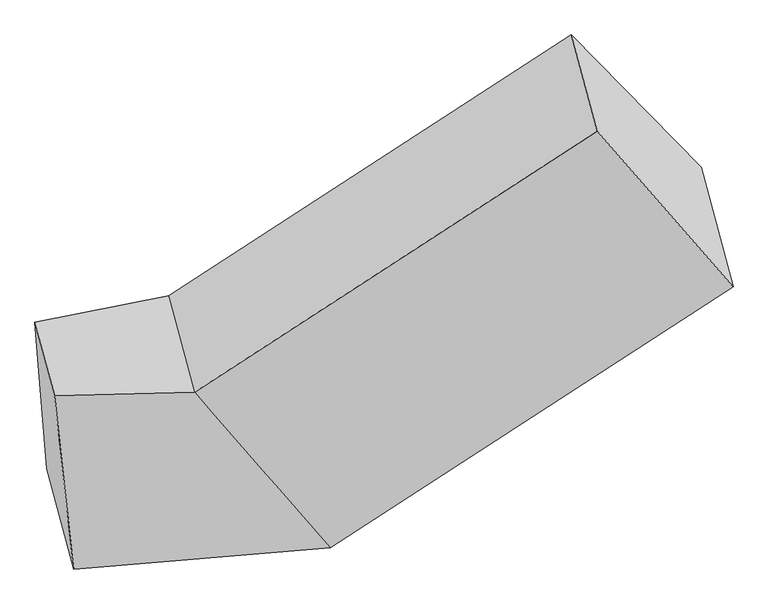
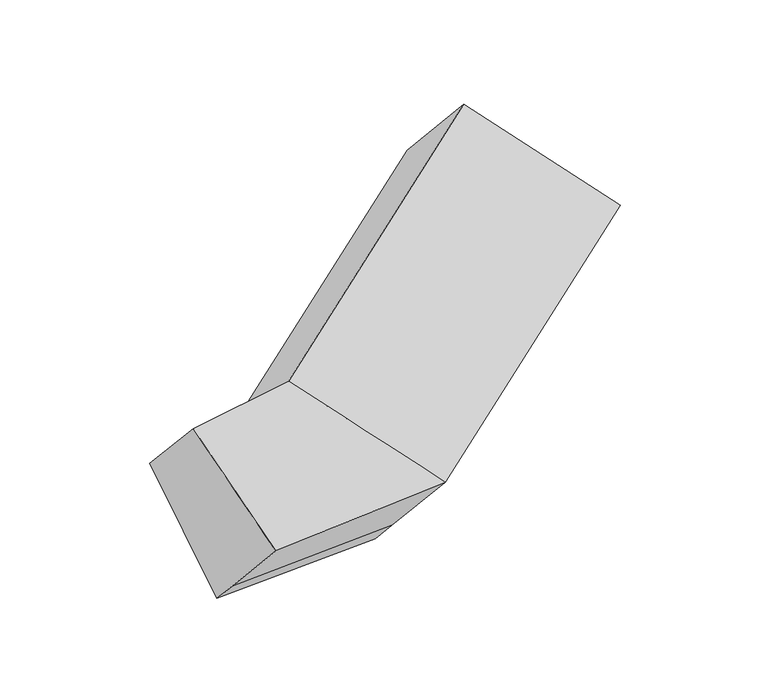
"""IFC4 building model written with IfcOpenShell, lengths in millimetres: proxy geometry."""

import ifcopenshell
import ifcopenshell.guid

model = None  # the IFC model being written
_history = None  # IfcOwnerHistory: only IFC2X3 demands one
_inside = {}  # id of a spatial element -> (the spatial element, [elements in it])
_under = {}  # id of a project, library or spatial element -> (it, [spatial elements below it])
_declared = {}  # id of a project -> (the project, [libraries it declares])
_typed = {}  # id of a type object -> (the type object, [elements of that type])
_made_of = {}  # id of a material, layer set ... -> (it, [elements and type objects made of it])


def new_model(schema):
    """Start an empty IFC model of exactly this schema.

    Asked for "IFC4X3", IfcOpenShell would pick the latest addendum, in which some entities
    have other attributes; the version numbers below select the first issue.
    IFC2X3 requires an IfcOwnerHistory on every rooted entity: one is made here for all.
    """
    global model, _history
    if schema == "IFC4X3":
        model = ifcopenshell.file(schema_version=(4, 3, 0, 0))
    else:
        model = ifcopenshell.file(schema=schema)
    _inside.clear()
    _under.clear()
    _declared.clear()
    _typed.clear()
    _made_of.clear()
    _history = None
    if model.schema == "IFC2X3":
        org = make("IfcOrganization", Name="unknown")
        user = make(
            "IfcPersonAndOrganization",
            ThePerson=make("IfcPerson", FamilyName="unknown"),
            TheOrganization=org,
        )
        app = make(
            "IfcApplication",
            ApplicationDeveloper=org,
            Version="unknown",
            ApplicationFullName="unknown",
            ApplicationIdentifier="unknown",
        )
        _history = make(
            "IfcOwnerHistory",
            OwningUser=user,
            OwningApplication=app,
            ChangeAction="ADDED",
            CreationDate=0,
        )
    return model


def make(cls, **values):
    """One entity of the class cls with the attributes given. An attribute that is None is left unset."""
    return model.create_entity(
        cls, **{name: value for name, value in values.items() if value is not None}
    )


def rooted(cls, **values):
    """An entity with a GlobalId (a new one), such as an element, a storey or a relation."""
    return make(cls, GlobalId=ifcopenshell.guid.new(), OwnerHistory=_history, **values)


def si_unit(unit_type, name, prefix=None):
    """IfcSIUnit, for example si_unit("LENGTHUNIT", "METRE", prefix="MILLI")."""
    return make("IfcSIUnit", UnitType=unit_type, Prefix=prefix, Name=name)


def assignment(units):
    """IfcUnitAssignment: the units of a project."""
    return None if units is None else make("IfcUnitAssignment", Units=units)


def point(xyz):
    """IfcCartesianPoint."""
    return None if xyz is None else make("IfcCartesianPoint", Coordinates=xyz)


def direction(xyz):
    """IfcDirection."""
    return None if xyz is None else make("IfcDirection", DirectionRatios=xyz)


def frame(location, z_axis=None, x_axis=None):
    """IfcAxis2Placement3D, a coordinate frame: its origin and axes. An axis left out is left unset."""
    return make(
        "IfcAxis2Placement3D",
        Location=point(location),
        Axis=direction(z_axis),
        RefDirection=direction(x_axis),
    )


def origin():
    """The frame at (0, 0, 0) with its axes left unset."""
    return frame((0.0, 0.0, 0.0))


def place(relative_to, where):
    """IfcLocalPlacement: puts the frame where relative to a parent placement (None: the world)."""
    return make(
        "IfcLocalPlacement", PlacementRelTo=relative_to, RelativePlacement=where
    )


def context(
    kind, dimensions, precision=None, world=None, true_north=None, identifier=None
):
    """IfcGeometricRepresentationContext, for example the 3D "Model" context."""
    return make(
        "IfcGeometricRepresentationContext",
        ContextIdentifier=identifier,
        ContextType=kind,
        CoordinateSpaceDimension=dimensions,
        Precision=precision,
        WorldCoordinateSystem=world,
        TrueNorth=true_north,
    )


def project(units=None, contexts=None):
    """IfcProject with its units and contexts."""
    return rooted(
        "IfcProject",
        Name="project",
        RepresentationContexts=contexts,
        UnitsInContext=assignment(units),
    )


def spatial(cls, under=None, at=None, **own):
    """A site, building, storey or space (cls), placed at a placement, below another one or the project."""
    s = rooted(cls, ObjectPlacement=at, **own)
    if under is not None:
        _under.setdefault(under.id(), (under, []))[1].append(s)
    return s


def shape(context_of_items, identifier, shape_type, items):
    """IfcShapeRepresentation: the items that make up one representation, for example the "Body"."""
    return make(
        "IfcShapeRepresentation",
        ContextOfItems=context_of_items,
        RepresentationIdentifier=identifier,
        RepresentationType=shape_type,
        Items=items,
    )


def source(mapping_origin, context_of_items, identifier, shape_type, items):
    """IfcRepresentationMap: a shape defined once, which mapped items show again and again."""
    return make(
        "IfcRepresentationMap",
        MappingOrigin=mapping_origin,
        MappedRepresentation=shape(context_of_items, identifier, shape_type, items),
    )


def transform(
    local_origin,
    x_axis=None,
    y_axis=None,
    z_axis=None,
    scale=None,
    scale2=None,
    scale3=None,
    uniform=True,
):
    """IfcCartesianTransformationOperator3D, or its non-uniform kind. x_axis, y_axis, z_axis: its Axis1, 2, 3."""
    if uniform:
        return make(
            "IfcCartesianTransformationOperator3D",
            Axis1=direction(x_axis),
            Axis2=direction(y_axis),
            LocalOrigin=point(local_origin),
            Scale=scale,
            Axis3=direction(z_axis),
        )
    return make(
        "IfcCartesianTransformationOperator3DnonUniform",
        Axis1=direction(x_axis),
        Axis2=direction(y_axis),
        LocalOrigin=point(local_origin),
        Scale=scale,
        Axis3=direction(z_axis),
        Scale2=scale2,
        Scale3=scale3,
    )


def mapped(mapping_source, mapping_target):
    """IfcMappedItem: shows the shape of a source again, moved by a transform."""
    return make(
        "IfcMappedItem", MappingSource=mapping_source, MappingTarget=mapping_target
    )


def made_of(thing, what):
    """Note that an element or type object is made of a material, layer set ...; save() writes the relation."""
    if what is not None:
        _made_of.setdefault(what.id(), (what, []))[1].append(thing)
    return thing


def element(
    cls,
    number,
    at=None,
    inside=None,
    cuts=None,
    type_object=None,
    material=None,
    context=None,
    identifier="Body",
    shape_type=None,
    held_by="IfcProductDefinitionShape",
    body=None,
    shapes=None,
    **own,
):
    """One element of the class cls, such as IfcWall. Its Tag is "e" and its number.

    at: its placement. inside: the storey or other place that contains it. cuts: it is an
    opening in that element (IfcRelVoidsElement). A single representation is given by context,
    identifier, shape_type and body (its items); several are given by shapes. held_by: the class
    of the entity that holds the representations. save() writes the other relations.
    """
    e = rooted(cls, Tag="e%d" % number, ObjectPlacement=at, **own)
    if body is not None:
        shapes = [shape(context, identifier, shape_type, body)]
    if shapes is not None:
        e.Representation = make(held_by, Representations=shapes)
    if inside is not None:
        _inside.setdefault(inside.id(), (inside, []))[1].append(e)
    if cuts is not None:
        rooted(
            "IfcRelVoidsElement", RelatingBuildingElement=cuts, RelatedOpeningElement=e
        )
    if type_object is not None:
        _typed.setdefault(type_object.id(), (type_object, []))[1].append(e)
    return made_of(e, material)


def aggregate(whole, parts):
    """IfcRelAggregates: a whole, such as a stair, and the parts it consists of."""
    return rooted("IfcRelAggregates", RelatingObject=whole, RelatedObjects=parts)


def save(model, path):
    """Write the relations noted so far, then the file.

    IfcRelAggregates (storeys below a building ...), IfcRelContainedInSpatialStructure (elements
    in a storey), IfcRelDefinesByType, IfcRelAssociatesMaterial and IfcRelDeclares: one each for
    every whole, place, type object, material and project.
    """
    for whole, parts in _under.values():
        aggregate(whole, parts)
    for where, things in _inside.values():
        rooted(
            "IfcRelContainedInSpatialStructure",
            RelatedElements=things,
            RelatingStructure=where,
        )
    for kind, things in _typed.values():
        rooted("IfcRelDefinesByType", RelatedObjects=things, RelatingType=kind)
    for what, things in _made_of.values():
        rooted("IfcRelAssociatesMaterial", RelatedObjects=things, RelatingMaterial=what)
    for by, libraries in _declared.values():
        rooted("IfcRelDeclares", RelatingContext=by, RelatedDefinitions=libraries)
    model.write(path)


def plane_surface(at):
    """IfcPlane: the flat surface through the origin of the frame at, square to its z axis."""
    return make("IfcPlane", Position=at)


def spline_surface(u_degree, v_degree, points, u_multiplicities, v_multiplicities, u_knots, v_knots, weights=None):
    """IfcBSplineSurfaceWithKnots; with weights, IfcRationalBSplineSurfaceWithKnots. points: one row for each step in u."""
    own = dict(
        UDegree=u_degree,
        VDegree=v_degree,
        ControlPointsList=[[point(p) for p in row] for row in points],
        SurfaceForm="UNSPECIFIED",
        UClosed=False,
        VClosed=False,
        SelfIntersect=False,
        UMultiplicities=u_multiplicities,
        VMultiplicities=v_multiplicities,
        UKnots=u_knots,
        VKnots=v_knots,
        KnotSpec="UNSPECIFIED",
    )
    if weights is None:
        return make("IfcBSplineSurfaceWithKnots", **own)
    return make("IfcRationalBSplineSurfaceWithKnots", WeightsData=weights, **own)


def advanced_brep(points, edges, surfaces, faces):
    """IfcAdvancedBrep: a solid bounded by faces that lie on surfaces and meet in shared edges.

    An edge is (start, end): straight between two places in points (the first is 0);
    or (start, end, curve); or (start, end, curve, False) where it runs against its curve.
    A face is (place in surfaces, loops), or (place, loops, False) where it looks against
    its surface's normal. A loop lists edges by number (the first is 1), with a minus sign
    where the edge is run from its end to its start. The first loop is the outer one.
    """
    corners = [point(p) for p in points]
    vertices = [make("IfcVertexPoint", VertexGeometry=c) for c in corners]
    made = []
    for start, end, *more in edges:
        made.append(
            make(
                "IfcEdgeCurve",
                EdgeStart=vertices[start],
                EdgeEnd=vertices[end],
                EdgeGeometry=more[0] if more else make("IfcPolyline", Points=[corners[start], corners[end]]),
                SameSense=more[1] if len(more) > 1 else True,
            )
        )
    hull = []
    for where, loops, *sense in faces:
        bounds = []
        for j, loop in enumerate(loops):
            ring = [make("IfcOrientedEdge", EdgeElement=made[abs(k) - 1], Orientation=k > 0) for k in loop]
            bounds.append(
                make(
                    "IfcFaceOuterBound" if j == 0 else "IfcFaceBound",
                    Bound=make("IfcEdgeLoop", EdgeList=ring),
                    Orientation=True,
                )
            )
        hull.append(make("IfcAdvancedFace", Bounds=bounds, FaceSurface=surfaces[where], SameSense=sense[0] if sense else True))
    return make("IfcAdvancedBrep", Outer=make("IfcClosedShell", CfsFaces=hull))


def generic_models_1a71c001(model_context):
    return source(origin(), model_context, "Body", "AdvancedBrep", [
        advanced_brep(
        [(-972.8903556, -1684.6502351, 1844.4643826), (-902.3514147, -1947.5854307, 2169.3776085), (-403.0129682, -1934.9875064, 2245.2226443), (-495.388487, -1590.6560661, 1819.7267772), (-930.4627489, -2207.6846431, 1411.9890581), (-32.0789425, -2063.8755415, 1336.1902284), (-905.5012182, -2300.7292066, 1526.9657131), (-5.4533098, -2163.1230759, 1458.8319937), (-834.4564347, -2565.5499397, 1854.2089279), (82.1120257, -2489.5244694, 1862.1714153), (1432.6211687, -1231.0106099, 1895.3884084), (1405.995536, -1131.7630755, 1772.7466431), (942.6859915, -658.5436001, 2256.2831919), (1035.0615103, -1002.8750404, 2681.779059), (1520.1865042, -1557.4120034, 2298.72783)],
        [
            (0, 1),
            (1, 2),
            (2, 3),
            (3, 0),
            (4, 0),
            (0, 5),
            (5, 4),
            (6, 4),
            (5, 7),
            (7, 6),
            (8, 6),
            (7, 9),
            (9, 8),
            (1, 8),
            (9, 2),
            (10, 11),
            (11, 12),
            (12, 13),
            (13, 14),
            (14, 10),
            (3, 5),
            (5, 11),
            (10, 7),
            (3, 12),
            (2, 13),
            (9, 14),
        ],
        [
            plane_surface(frame((-937.6208851, -1816.1178329, 2006.9209955), z_axis=(-0.11636413470882272, 0.7595645114389591, 0.6399383885312419), x_axis=(0.16641020480847124, -0.6202970897769892, 0.7665110332864105))),
            plane_surface(frame((-951.6765523, -1946.1674391, 1628.2267204), z_axis=(-0.1640434631765739, 0.6206647806659823, -0.766723530504891), x_axis=(-0.06239353914640455, 0.7691682470211378, 0.6359931242137891))),
            plane_surface(frame((-917.9819836, -2254.2069248, 1469.4773856), z_axis=(0.06923933289195838, -0.7680804423300852, -0.6365990487667236), x_axis=(-0.1664102048084708, 0.6202970897769893, -0.7665110332864105))),
            plane_surface(frame((-869.9788265, -2433.1395732, 1690.5873205), z_axis=(0.06923933289194124, -0.7680804423300879, -0.6365990487667225), x_axis=(-0.16641020480847132, 0.6202970897769896, -0.7665110332864101))),
            spline_surface(1, 1, [[(-902.3514147, -1947.5854307, 2169.3776085), (-403.0129682, -1934.9875064, 2245.2226443)], [(-834.4564347, -2565.5499397, 1854.2089279), (82.1120257, -2489.5244694, 1862.1714153)]], [2, 2], [2, 2], [0.0, 1.0], [0.0, 1.0]),
            plane_surface(frame((1225.9823855, -1087.6484299, 2252.384181), z_axis=(0.8081271501486851, 0.5312162119586268, 0.25444025889173255), x_axis=(-0.16641020480847102, 0.620297089776989, -0.7665110332864105))),
            plane_surface(frame((-910.0402385, -2101.3675622, 1820.0099943), z_axis=(-0.9840806318632649, -0.1536610822186764, 0.08929491476552635), x_axis=(-0.1664102048084306, 0.6202970897770106, -0.7665110332864019))),
            plane_surface(frame((-972.8903556, -1684.6502351, 1844.4643826), z_axis=(-0.1622778340174031, 0.6230039422107375, -0.7652006224360384), x_axis=(-0.5650116396395429, 0.5770969212935779, 0.5896787180366181))),
            plane_surface(frame((-18.7661261, -2113.4993087, 1397.511111), z_axis=(0.5571335805233383, -0.5822307368257458, -0.5921229116902963), x_axis=(-0.16641020480847046, 0.6202970897769888, -0.7665110332864109))),
            plane_surface(frame((-263.7337148, -1827.2658038, 1577.9585028), z_axis=(-0.1683524069977034, 0.6190182896072594, -0.7671204756684461), x_axis=(-0.5650116396395465, 0.5770969212935816, 0.5896787180366112))),
            plane_surface(frame((-449.2007276, -1762.8217862, 2032.4747107), z_axis=(-0.5571335805233356, 0.5822307368257469, 0.5921229116902978), x_axis=(0.16641020480847118, -0.6202970897769894, 0.7665110332864103))),
            plane_surface(frame((-160.4504712, -2212.2559879, 2053.6970298), z_axis=(0.07828432988952214, -0.5193347996390364, 0.8509776316552808), x_axis=(0.5841972549823161, -0.667784541469325, -0.46127797849640534))),
            plane_surface(frame((38.329358, -2326.3237726, 1660.5017045), z_axis=(0.5571335805233382, -0.5822307368257451, -0.5921229116902968), x_axis=(-0.1664102048084712, 0.6202970897769892, -0.7665110332864103))),
        ],
        [
            (0, [[1, 2, 3, 4]]),
            (1, [[5, 6, 7]]),
            (2, [[8, -7, 9, 10]]),
            (3, [[11, -10, 12, 13]]),
            (4, [[14, -13, 15, -2]]),
            (5, [[16, 17, 18, 19, 20]]),
            (6, [[-1, -5, -8, -11, -14]]),
            (7, [[21, -6, -4]]),
            (8, [[-9, 22, -16, 23]]),
            (9, [[-21, 24, -17, -22]]),
            (10, [[-3, 25, -18, -24]]),
            (11, [[-15, 26, -19, -25]]),
            (12, [[-12, -23, -20, -26]]),
        ],
    ),
    ])


if __name__ == "__main__":
    model = new_model("IFC4")
    model_context = context("Model", 3, world=origin())
    ifc_project = project(units=[si_unit("LENGTHUNIT", "METRE", prefix="MILLI")], contexts=[model_context])
    site = spatial("IfcSite", under=ifc_project)
    building = spatial("IfcBuilding", under=site)
    placement = place(None, origin())
    generic_models_shape = generic_models_1a71c001(model_context)
    element("IfcBuildingElementProxy", 1, Name="Generic Models", at=placement, inside=building, context=model_context, shape_type="MappedRepresentation", body=[
        mapped(generic_models_shape, transform((0.0, 0.0, 0.0), x_axis=(1.0, 0.0, 0.0), y_axis=(0.0, 1.0, 0.0), z_axis=(0.0, 0.0, 1.0))),
    ])
    save(model, "model.ifc")
